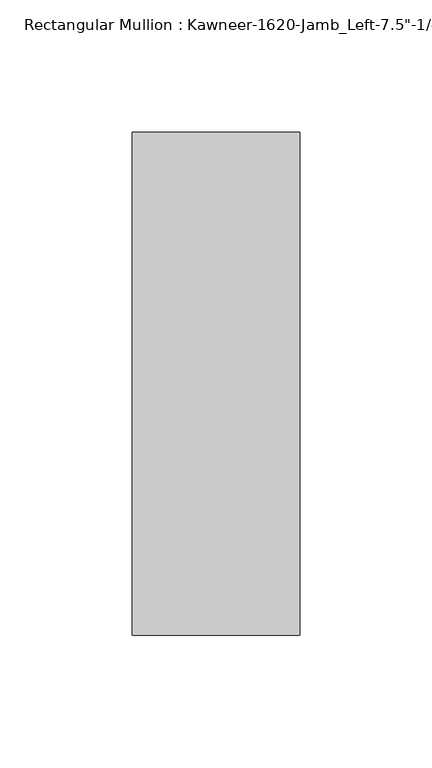
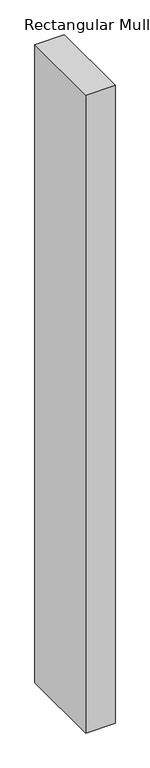
"""IFC4 building model written with IfcOpenShell, lengths in millimetres: member geometry."""

from ifc_helpers import new_model, si_unit, frame, origin, place, context, project, spatial, polyline, outline, extrude, source, transform, mapped, element, save


def member_68b08a3f(model_context):
    return source(origin(), model_context, "Body", "SweptSolid", [
        extrude(outline(polyline([(-63.5, 28.575), (0.0, 28.575), (0.0, -161.925), (-63.5, -161.925), (-63.5, 28.575)])), frame((0.0, 0.0, -1460.5), z_axis=(0.0, 0.0, 1.0), x_axis=(1.0, 0.0, 0.0)), (0.0, 0.0, 1.0), 1460.5),
    ])


if __name__ == "__main__":
    model = new_model("IFC4")
    model_context = context("Model", 3, world=origin())
    ifc_project = project(units=[si_unit("LENGTHUNIT", "METRE", prefix="MILLI")], contexts=[model_context])
    site = spatial("IfcSite", under=ifc_project)
    building = spatial("IfcBuilding", under=site)
    placement = place(None, origin())
    member_shape = member_68b08a3f(model_context)
    element("IfcMember", 1, ObjectType="Rectangular Mullion : Kawneer-1620-Jamb_Left-7.5\"-1/4\"Infill", at=placement, inside=building, context=model_context, shape_type="MappedRepresentation", body=[
        mapped(member_shape, transform((0.0, 0.0, 0.0), x_axis=(1.0, 0.0, 0.0), y_axis=(0.0, 1.0, 0.0), z_axis=(0.0, 0.0, 1.0))),
    ])
    save(model, "model.ifc")
